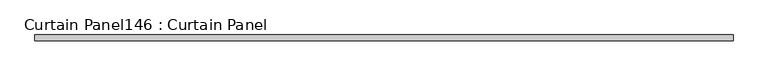
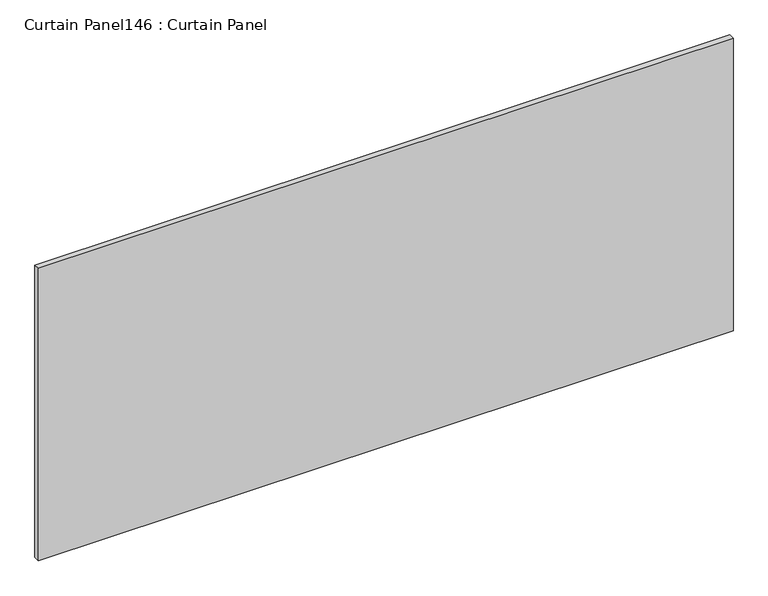
"""IFC4 building model written with IfcOpenShell, lengths in millimetres: plate geometry, Curtain Panel146 : Curtain Panel."""

from ifc_helpers import new_model, si_unit, frame, origin, place, context, project, spatial, polyline, outline, extrude, source, transform, mapped, element, save


def curtain_panel146_curtain_panel_265fa63f(model_context):
    return source(origin(), model_context, "Body", "SweptSolid", [
        extrude(outline(polyline([(385402.2312536, 2305.3839321), (382354.2312536, 2305.3839321), (382354.2312536, 2330.7839321), (385402.2312536, 2330.7839321), (385402.2312536, 2305.3839321)])), frame((0.0, 0.0, 7019.7548754), z_axis=(0.0, 0.0, 1.0), x_axis=(1.0, 0.0, 0.0)), (0.0, 0.0, 1.0), 1356.2207553),
    ])


if __name__ == "__main__":
    model = new_model("IFC4")
    model_context = context("Model", 3, world=origin())
    ifc_project = project(units=[si_unit("LENGTHUNIT", "METRE", prefix="MILLI")], contexts=[model_context])
    site = spatial("IfcSite", under=ifc_project)
    building = spatial("IfcBuilding", under=site)
    placement = place(None, origin())
    curtain_panel146_curtain_panel_shape = curtain_panel146_curtain_panel_265fa63f(model_context)
    element("IfcPlate", 1, ObjectType="Curtain Panel146 : Curtain Panel", at=placement, inside=building, context=model_context, shape_type="MappedRepresentation", body=[
        mapped(curtain_panel146_curtain_panel_shape, transform((0.0, 0.0, 0.0), x_axis=(1.0, 0.0, 0.0), y_axis=(0.0, 1.0, 0.0), z_axis=(0.0, 0.0, 1.0))),
    ])
    save(model, "model.ifc")
